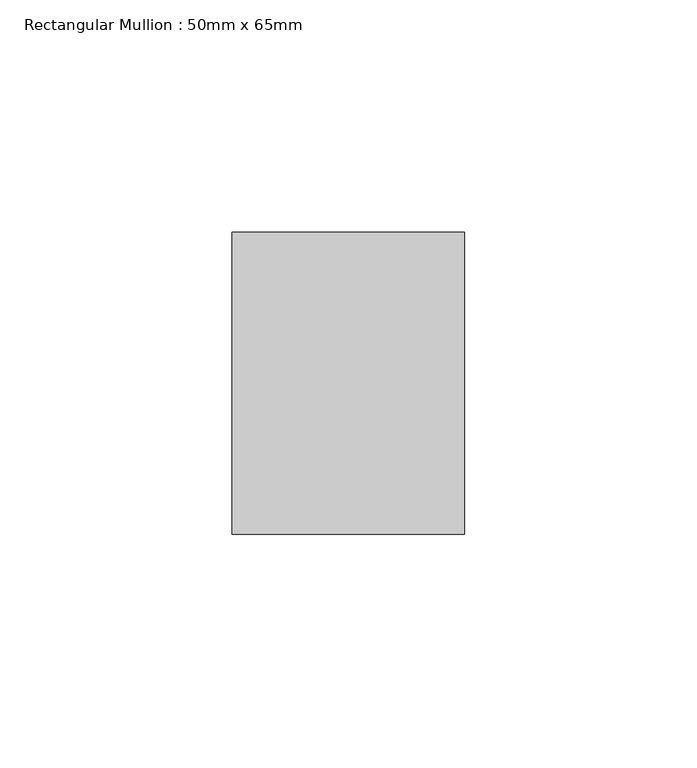
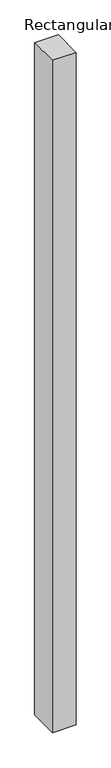
"""IFC4 building model written with IfcOpenShell, lengths in millimetres: member geometry, Rectangular Mullion : 50mm x 65mm."""

from ifc_helpers import new_model, si_unit, origin, place, context, project, spatial, faceted_brep, source, transform, mapped, element, save


def rectangular_mullion_50mm_x_65mm_d403f3e1(model_context):
    return source(origin(), model_context, "Body", "Brep", [
        faceted_brep([(-25.0, 32.5, -0.0980887), (25.0, 32.5, -0.0980894), (25.0, 32.5, -1499.8163838), (-25.0, 32.5, -1499.8163852), (-25.0, -32.5, 0.0980894), (-25.0, -32.5, -1500.18353), (25.0, -32.5, 0.0980887), (25.0, -32.5, -1500.1835286)], [[[0, 1, 2, 3]], [[4, 0, 3, 5]], [[6, 4, 5, 7]], [[1, 6, 7, 2]], [[1, 0, 4, 6]], [[2, 7, 5, 3]]]),
    ])


if __name__ == "__main__":
    model = new_model("IFC4")
    model_context = context("Model", 3, world=origin())
    ifc_project = project(units=[si_unit("LENGTHUNIT", "METRE", prefix="MILLI")], contexts=[model_context])
    site = spatial("IfcSite", under=ifc_project)
    building = spatial("IfcBuilding", under=site)
    placement = place(None, origin())
    rectangular_mullion_50mm_x_65mm_shape = rectangular_mullion_50mm_x_65mm_d403f3e1(model_context)
    element("IfcMember", 1, ObjectType="Rectangular Mullion : 50mm x 65mm", at=placement, inside=building, context=model_context, shape_type="MappedRepresentation", body=[
        mapped(rectangular_mullion_50mm_x_65mm_shape, transform((0.0, 0.0, 0.0), x_axis=(1.0, 0.0, 0.0), y_axis=(0.0, 1.0, 0.0), z_axis=(0.0, 0.0, 1.0))),
    ])
    save(model, "model.ifc")
